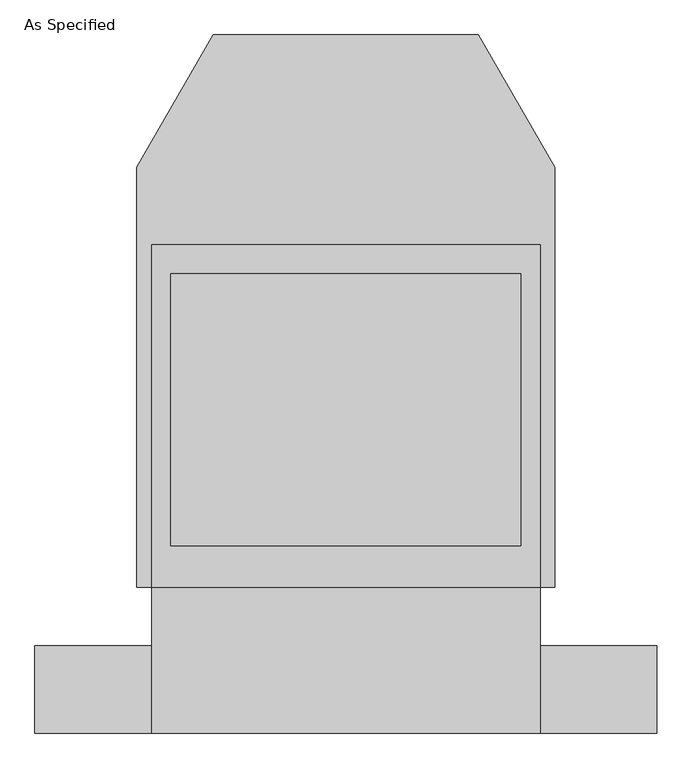
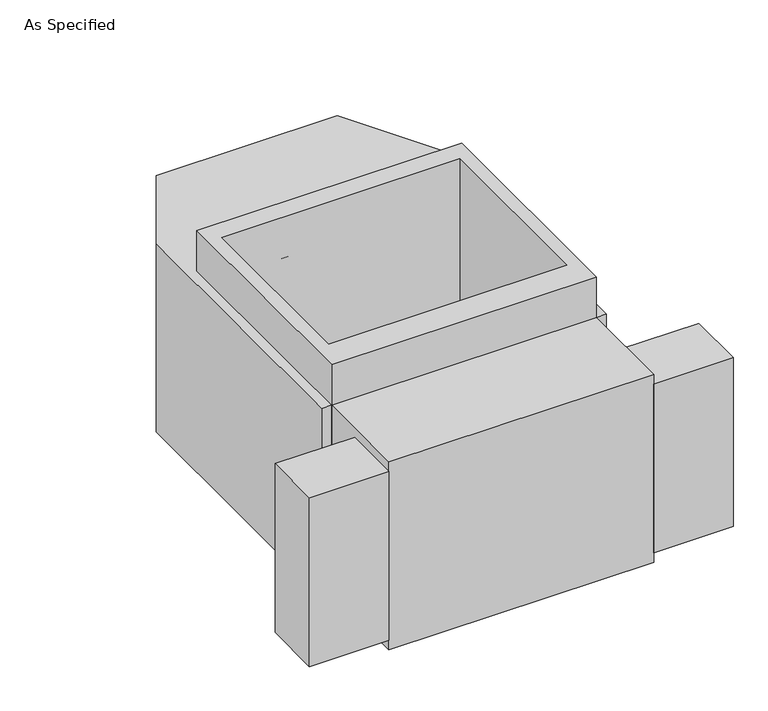
"""IFC4 building model written with IfcOpenShell, lengths in millimetres: proxy geometry, As Specified."""

from ifc_helpers import new_model, si_unit, frame, origin, place, context, project, spatial, polyline, outline, extrude, faceted_brep, source, transform, mapped, element, save


def as_specified_d9097037(model_context):
    return source(origin(), model_context, "Body", "SolidModel", [
        extrude(outline(polyline([(508.0, -912.5148438), (508.0, -683.9148438), (812.8, -683.9148438), (812.8, -912.5148438), (508.0, -912.5148438)])), frame((0.0, 0.0, -749.3), z_axis=(0.0, 0.0, 1.0), x_axis=(1.0, 0.0, 0.0)), (0.0, 0.0, 1.0), 685.8),
        extrude(outline(polyline([(-508.0, -912.5148438), (-812.8, -912.5148438), (-812.8, -683.9148438), (-508.0, -683.9148438), (-508.0, -912.5148438)])), frame((0.0, 0.0, -749.3), z_axis=(0.0, 0.0, 1.0), x_axis=(1.0, 0.0, 0.0)), (0.0, 0.0, 1.0), 685.8),
        extrude(outline(polyline([(508.0, 363.8351562), (508.0, -531.5148438), (-508.0, -531.5148438), (-508.0, 363.8351562), (508.0, 363.8351562)]), holes=[polyline([(-457.2, 287.6748437), (-457.2, -423.5251563), (457.2, -423.5251563), (457.2, 287.6748437), (-457.2, 287.6748437)])]), frame((0.0, 0.0, -762.0), z_axis=(0.0, 0.0, 1.0), x_axis=(1.0, 0.0, 0.0)), (0.0, 0.0, 1.0), 901.7),
        faceted_brep([(508.0, -912.5148438, -787.4), (-508.0, -912.5148438, -787.4), (-508.0, -531.5148438, -787.4), (-546.1, -531.5148438, -787.4), (-546.1, 567.0748437, -787.4), (-346.660123, 912.5148437, -787.4), (346.660123, 912.5148437, -787.4), (546.1, 567.0748437, -787.4), (546.1, -531.5148438, -787.4), (508.0, -531.5148438, -787.4), (508.0, -912.5148438, -25.4), (508.0, -531.5148438, -25.4), (546.1, -531.5148438, -25.4), (546.1, 567.0748437, -25.4), (346.660123, 912.5148437, -25.4), (-346.660123, 912.5148437, -25.4), (-546.1, 567.0748437, -25.4), (-546.1, -531.5148438, -25.4), (-508.0, -531.5148438, -25.4), (-508.0, -912.5148438, -25.4), (457.2, 287.6748437, -25.4), (457.2, -423.5251563, -25.4), (-457.2, -423.5251563, -25.4), (-457.2, 287.6748437, -25.4), (457.2, 287.6748437, -762.0), (-457.2, 287.6748437, -762.0), (-457.2, -423.5251563, -762.0), (457.2, -423.5251563, -762.0)], [[[0, 1, 2, 3, 4, 5, 6, 7, 8, 9]], [[10, 11, 12, 13, 14, 15, 16, 17, 18, 19], [20, 21, 22, 23]], [[6, 5, 15, 14]], [[3, 17, 16, 4]], [[17, 3, 2, 18]], [[8, 12, 11, 9]], [[12, 8, 7, 13]], [[0, 9, 11, 10]], [[2, 1, 19, 18]], [[1, 0, 10, 19]], [[5, 4, 16, 15]], [[7, 6, 14, 13]], [[24, 25, 26, 27]], [[24, 27, 21, 20]], [[27, 26, 22, 21]], [[26, 25, 23, 22]], [[25, 24, 20, 23]]]),
    ])


if __name__ == "__main__":
    model = new_model("IFC4")
    model_context = context("Model", 3, world=origin())
    ifc_project = project(units=[si_unit("LENGTHUNIT", "METRE", prefix="MILLI")], contexts=[model_context])
    site = spatial("IfcSite", under=ifc_project)
    building = spatial("IfcBuilding", under=site)
    placement = place(None, origin())
    as_specified_shape = as_specified_d9097037(model_context)
    element("IfcBuildingElementProxy", 1, Name="As Specified", ObjectType="As Specified", at=placement, inside=building, context=model_context, shape_type="MappedRepresentation", body=[
        mapped(as_specified_shape, transform((0.0, 0.0, 0.0), x_axis=(1.0, 0.0, 0.0), y_axis=(0.0, 1.0, 0.0), z_axis=(0.0, 0.0, 1.0))),
    ])
    save(model, "model.ifc")
